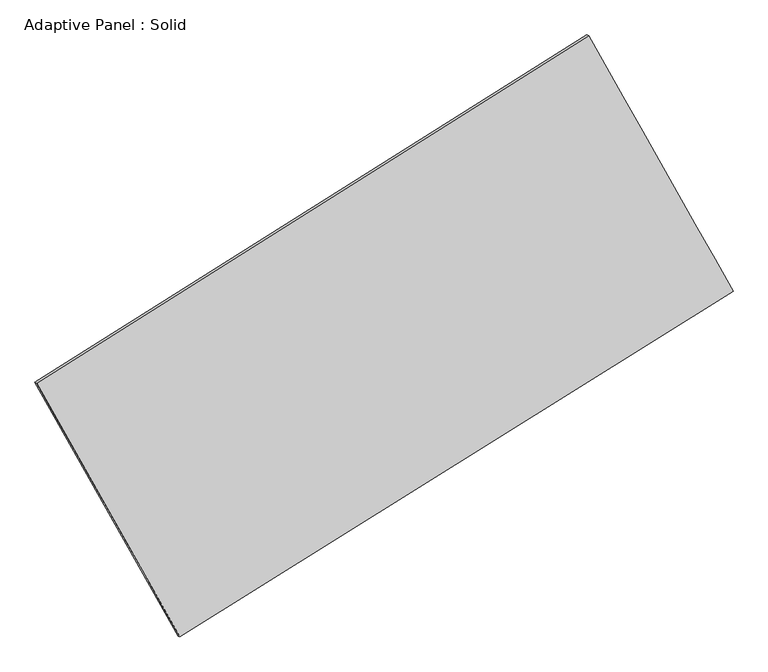
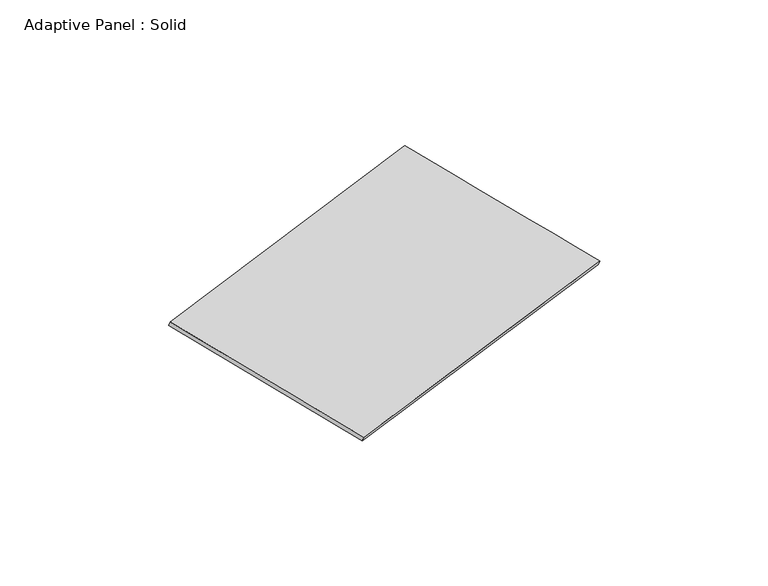
"""IFC4 building model written with IfcOpenShell, lengths in millimetres: plate geometry, Adaptive Panel : Solid."""

import ifcopenshell
import ifcopenshell.guid

model = None  # the IFC model being written
_history = None  # IfcOwnerHistory: only IFC2X3 demands one
_inside = {}  # id of a spatial element -> (the spatial element, [elements in it])
_under = {}  # id of a project, library or spatial element -> (it, [spatial elements below it])
_declared = {}  # id of a project -> (the project, [libraries it declares])
_typed = {}  # id of a type object -> (the type object, [elements of that type])
_made_of = {}  # id of a material, layer set ... -> (it, [elements and type objects made of it])


def new_model(schema):
    """Start an empty IFC model of exactly this schema.

    Asked for "IFC4X3", IfcOpenShell would pick the latest addendum, in which some entities
    have other attributes; the version numbers below select the first issue.
    IFC2X3 requires an IfcOwnerHistory on every rooted entity: one is made here for all.
    """
    global model, _history
    if schema == "IFC4X3":
        model = ifcopenshell.file(schema_version=(4, 3, 0, 0))
    else:
        model = ifcopenshell.file(schema=schema)
    _inside.clear()
    _under.clear()
    _declared.clear()
    _typed.clear()
    _made_of.clear()
    _history = None
    if model.schema == "IFC2X3":
        org = make("IfcOrganization", Name="unknown")
        user = make(
            "IfcPersonAndOrganization",
            ThePerson=make("IfcPerson", FamilyName="unknown"),
            TheOrganization=org,
        )
        app = make(
            "IfcApplication",
            ApplicationDeveloper=org,
            Version="unknown",
            ApplicationFullName="unknown",
            ApplicationIdentifier="unknown",
        )
        _history = make(
            "IfcOwnerHistory",
            OwningUser=user,
            OwningApplication=app,
            ChangeAction="ADDED",
            CreationDate=0,
        )
    return model


def make(cls, **values):
    """One entity of the class cls with the attributes given. An attribute that is None is left unset."""
    return model.create_entity(
        cls, **{name: value for name, value in values.items() if value is not None}
    )


def rooted(cls, **values):
    """An entity with a GlobalId (a new one), such as an element, a storey or a relation."""
    return make(cls, GlobalId=ifcopenshell.guid.new(), OwnerHistory=_history, **values)


def si_unit(unit_type, name, prefix=None):
    """IfcSIUnit, for example si_unit("LENGTHUNIT", "METRE", prefix="MILLI")."""
    return make("IfcSIUnit", UnitType=unit_type, Prefix=prefix, Name=name)


def assignment(units):
    """IfcUnitAssignment: the units of a project."""
    return None if units is None else make("IfcUnitAssignment", Units=units)


def point(xyz):
    """IfcCartesianPoint."""
    return None if xyz is None else make("IfcCartesianPoint", Coordinates=xyz)


def direction(xyz):
    """IfcDirection."""
    return None if xyz is None else make("IfcDirection", DirectionRatios=xyz)


def frame(location, z_axis=None, x_axis=None):
    """IfcAxis2Placement3D, a coordinate frame: its origin and axes. An axis left out is left unset."""
    return make(
        "IfcAxis2Placement3D",
        Location=point(location),
        Axis=direction(z_axis),
        RefDirection=direction(x_axis),
    )


def origin():
    """The frame at (0, 0, 0) with its axes left unset."""
    return frame((0.0, 0.0, 0.0))


def place(relative_to, where):
    """IfcLocalPlacement: puts the frame where relative to a parent placement (None: the world)."""
    return make(
        "IfcLocalPlacement", PlacementRelTo=relative_to, RelativePlacement=where
    )


def context(
    kind, dimensions, precision=None, world=None, true_north=None, identifier=None
):
    """IfcGeometricRepresentationContext, for example the 3D "Model" context."""
    return make(
        "IfcGeometricRepresentationContext",
        ContextIdentifier=identifier,
        ContextType=kind,
        CoordinateSpaceDimension=dimensions,
        Precision=precision,
        WorldCoordinateSystem=world,
        TrueNorth=true_north,
    )


def project(units=None, contexts=None):
    """IfcProject with its units and contexts."""
    return rooted(
        "IfcProject",
        Name="project",
        RepresentationContexts=contexts,
        UnitsInContext=assignment(units),
    )


def spatial(cls, under=None, at=None, **own):
    """A site, building, storey or space (cls), placed at a placement, below another one or the project."""
    s = rooted(cls, ObjectPlacement=at, **own)
    if under is not None:
        _under.setdefault(under.id(), (under, []))[1].append(s)
    return s


def shape(context_of_items, identifier, shape_type, items):
    """IfcShapeRepresentation: the items that make up one representation, for example the "Body"."""
    return make(
        "IfcShapeRepresentation",
        ContextOfItems=context_of_items,
        RepresentationIdentifier=identifier,
        RepresentationType=shape_type,
        Items=items,
    )


def source(mapping_origin, context_of_items, identifier, shape_type, items):
    """IfcRepresentationMap: a shape defined once, which mapped items show again and again."""
    return make(
        "IfcRepresentationMap",
        MappingOrigin=mapping_origin,
        MappedRepresentation=shape(context_of_items, identifier, shape_type, items),
    )


def transform(
    local_origin,
    x_axis=None,
    y_axis=None,
    z_axis=None,
    scale=None,
    scale2=None,
    scale3=None,
    uniform=True,
):
    """IfcCartesianTransformationOperator3D, or its non-uniform kind. x_axis, y_axis, z_axis: its Axis1, 2, 3."""
    if uniform:
        return make(
            "IfcCartesianTransformationOperator3D",
            Axis1=direction(x_axis),
            Axis2=direction(y_axis),
            LocalOrigin=point(local_origin),
            Scale=scale,
            Axis3=direction(z_axis),
        )
    return make(
        "IfcCartesianTransformationOperator3DnonUniform",
        Axis1=direction(x_axis),
        Axis2=direction(y_axis),
        LocalOrigin=point(local_origin),
        Scale=scale,
        Axis3=direction(z_axis),
        Scale2=scale2,
        Scale3=scale3,
    )


def mapped(mapping_source, mapping_target):
    """IfcMappedItem: shows the shape of a source again, moved by a transform."""
    return make(
        "IfcMappedItem", MappingSource=mapping_source, MappingTarget=mapping_target
    )


def made_of(thing, what):
    """Note that an element or type object is made of a material, layer set ...; save() writes the relation."""
    if what is not None:
        _made_of.setdefault(what.id(), (what, []))[1].append(thing)
    return thing


def element(
    cls,
    number,
    at=None,
    inside=None,
    cuts=None,
    type_object=None,
    material=None,
    context=None,
    identifier="Body",
    shape_type=None,
    held_by="IfcProductDefinitionShape",
    body=None,
    shapes=None,
    **own,
):
    """One element of the class cls, such as IfcWall. Its Tag is "e" and its number.

    at: its placement. inside: the storey or other place that contains it. cuts: it is an
    opening in that element (IfcRelVoidsElement). A single representation is given by context,
    identifier, shape_type and body (its items); several are given by shapes. held_by: the class
    of the entity that holds the representations. save() writes the other relations.
    """
    e = rooted(cls, Tag="e%d" % number, ObjectPlacement=at, **own)
    if body is not None:
        shapes = [shape(context, identifier, shape_type, body)]
    if shapes is not None:
        e.Representation = make(held_by, Representations=shapes)
    if inside is not None:
        _inside.setdefault(inside.id(), (inside, []))[1].append(e)
    if cuts is not None:
        rooted(
            "IfcRelVoidsElement", RelatingBuildingElement=cuts, RelatedOpeningElement=e
        )
    if type_object is not None:
        _typed.setdefault(type_object.id(), (type_object, []))[1].append(e)
    return made_of(e, material)


def aggregate(whole, parts):
    """IfcRelAggregates: a whole, such as a stair, and the parts it consists of."""
    return rooted("IfcRelAggregates", RelatingObject=whole, RelatedObjects=parts)


def save(model, path):
    """Write the relations noted so far, then the file.

    IfcRelAggregates (storeys below a building ...), IfcRelContainedInSpatialStructure (elements
    in a storey), IfcRelDefinesByType, IfcRelAssociatesMaterial and IfcRelDeclares: one each for
    every whole, place, type object, material and project.
    """
    for whole, parts in _under.values():
        aggregate(whole, parts)
    for where, things in _inside.values():
        rooted(
            "IfcRelContainedInSpatialStructure",
            RelatedElements=things,
            RelatingStructure=where,
        )
    for kind, things in _typed.values():
        rooted("IfcRelDefinesByType", RelatedObjects=things, RelatingType=kind)
    for what, things in _made_of.values():
        rooted("IfcRelAssociatesMaterial", RelatedObjects=things, RelatingMaterial=what)
    for by, libraries in _declared.values():
        rooted("IfcRelDeclares", RelatingContext=by, RelatedDefinitions=libraries)
    model.write(path)


def plane_surface(at):
    """IfcPlane: the flat surface through the origin of the frame at, square to its z axis."""
    return make("IfcPlane", Position=at)


def spline_surface(u_degree, v_degree, points, u_multiplicities, v_multiplicities, u_knots, v_knots, weights=None):
    """IfcBSplineSurfaceWithKnots; with weights, IfcRationalBSplineSurfaceWithKnots. points: one row for each step in u."""
    own = dict(
        UDegree=u_degree,
        VDegree=v_degree,
        ControlPointsList=[[point(p) for p in row] for row in points],
        SurfaceForm="UNSPECIFIED",
        UClosed=False,
        VClosed=False,
        SelfIntersect=False,
        UMultiplicities=u_multiplicities,
        VMultiplicities=v_multiplicities,
        UKnots=u_knots,
        VKnots=v_knots,
        KnotSpec="UNSPECIFIED",
    )
    if weights is None:
        return make("IfcBSplineSurfaceWithKnots", **own)
    return make("IfcRationalBSplineSurfaceWithKnots", WeightsData=weights, **own)


def advanced_brep(points, edges, surfaces, faces):
    """IfcAdvancedBrep: a solid bounded by faces that lie on surfaces and meet in shared edges.

    An edge is (start, end): straight between two places in points (the first is 0);
    or (start, end, curve); or (start, end, curve, False) where it runs against its curve.
    A face is (place in surfaces, loops), or (place, loops, False) where it looks against
    its surface's normal. A loop lists edges by number (the first is 1), with a minus sign
    where the edge is run from its end to its start. The first loop is the outer one.
    """
    corners = [point(p) for p in points]
    vertices = [make("IfcVertexPoint", VertexGeometry=c) for c in corners]
    made = []
    for start, end, *more in edges:
        made.append(
            make(
                "IfcEdgeCurve",
                EdgeStart=vertices[start],
                EdgeEnd=vertices[end],
                EdgeGeometry=more[0] if more else make("IfcPolyline", Points=[corners[start], corners[end]]),
                SameSense=more[1] if len(more) > 1 else True,
            )
        )
    hull = []
    for where, loops, *sense in faces:
        bounds = []
        for j, loop in enumerate(loops):
            ring = [make("IfcOrientedEdge", EdgeElement=made[abs(k) - 1], Orientation=k > 0) for k in loop]
            bounds.append(
                make(
                    "IfcFaceOuterBound" if j == 0 else "IfcFaceBound",
                    Bound=make("IfcEdgeLoop", EdgeList=ring),
                    Orientation=True,
                )
            )
        hull.append(make("IfcAdvancedFace", Bounds=bounds, FaceSurface=surfaces[where], SameSense=sense[0] if sense else True))
    return make("IfcAdvancedBrep", Outer=make("IfcClosedShell", CfsFaces=hull))


def adaptive_panel_solid_0fe5bab9(model_context):
    return source(origin(), model_context, "Body", "AdvancedBrep", [
        advanced_brep(
        [(1157.0894867, 2566.3858948, 668.9982217), (-3733.4777364, -511.0170359, 1771.9917663), (-3718.8113805, -517.3971294, 1819.3646743), (1171.7558425, 2560.0058013, 716.3711298), (-2463.8655871, -2758.9763264, 1072.8029011), (-2449.1992313, -2765.3564198, 1120.1758092), (2436.9632587, 303.3588946, -28.670369), (2451.6296145, 296.9788012, 18.702539)],
        [
            (0, 1),
            (1, 2),
            (2, 3),
            (3, 0),
            (1, 4),
            (4, 5),
            (5, 2),
            (4, 6),
            (6, 7),
            (7, 5),
            (6, 0),
            (3, 7),
        ],
        [
            plane_surface(frame((-1288.1941248, 1027.6844294, 1220.494994), z_axis=(-0.4717268176592921, 0.8426835424919952, 0.25953469269864293), x_axis=(-0.8313654920697835, -0.5231390317515084, 0.18750192546654282))),
            plane_surface(frame((-3098.6716617, -1634.9966811, 1422.3973337), z_axis=(-0.8296460196403632, -0.5264098716714999, 0.1859573314007743), x_axis=(0.4746719128700976, -0.8404481140960861, -0.26140685271158215))),
            plane_surface(frame((-13.4511642, -1227.8087159, 522.0662661), z_axis=(0.46930168509587905, -0.8442042327258368, -0.25898869051360046), x_axis=(0.833054386305485, 0.520542926194298, -0.18723101090970326))),
            plane_surface(frame((1797.0263727, 1434.8723947, 320.1639264), z_axis=(0.8295932480061506, 0.5265032441416916, -0.1859284184057934), x_axis=(-0.4754607727289807, 0.8406927228107575, 0.2591771583473271))),
            spline_surface(1, 1, [[(-3718.8113805, -517.3971294, 1819.3646743), (1171.7558425, 2560.0058013, 716.3711298)], [(-2449.1992313, -2765.3564198, 1120.1758092), (2451.6296145, 296.9788012, 18.702539)]], [2, 2], [2, 2], [0.0, 1.0], [0.0, 1.0]),
            spline_surface(1, 1, [[(2436.9632587, 303.3588946, -28.670369), (1157.0894867, 2566.3858948, 668.9982217)], [(-2463.8655871, -2758.9763264, 1072.8029011), (-3733.4777364, -511.0170359, 1771.9917663)]], [2, 2], [2, 2], [0.0, 1.0], [0.0, 1.0]),
        ],
        [
            (0, [[1, 2, 3, 4]]),
            (1, [[5, 6, 7, -2]]),
            (2, [[8, 9, 10, -6]]),
            (3, [[11, -4, 12, -9]]),
            (4, [[-3, -7, -10, -12]]),
            (5, [[-11, -8, -5, -1]]),
        ],
    ),
    ])


if __name__ == "__main__":
    model = new_model("IFC4")
    model_context = context("Model", 3, world=origin())
    ifc_project = project(units=[si_unit("LENGTHUNIT", "METRE", prefix="MILLI")], contexts=[model_context])
    site = spatial("IfcSite", under=ifc_project)
    building = spatial("IfcBuilding", under=site)
    placement = place(None, origin())
    adaptive_panel_solid_shape = adaptive_panel_solid_0fe5bab9(model_context)
    element("IfcPlate", 1, ObjectType="Adaptive Panel : Solid", at=placement, inside=building, context=model_context, shape_type="MappedRepresentation", body=[
        mapped(adaptive_panel_solid_shape, transform((0.0, 0.0, 0.0), x_axis=(1.0, 0.0, 0.0), y_axis=(0.0, 1.0, 0.0), z_axis=(0.0, 0.0, 1.0))),
    ])
    save(model, "model.ifc")
